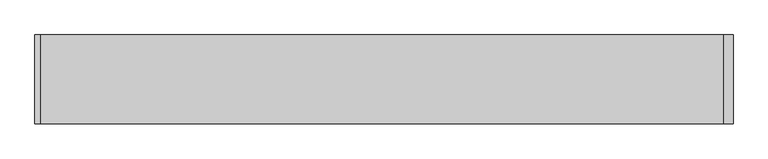
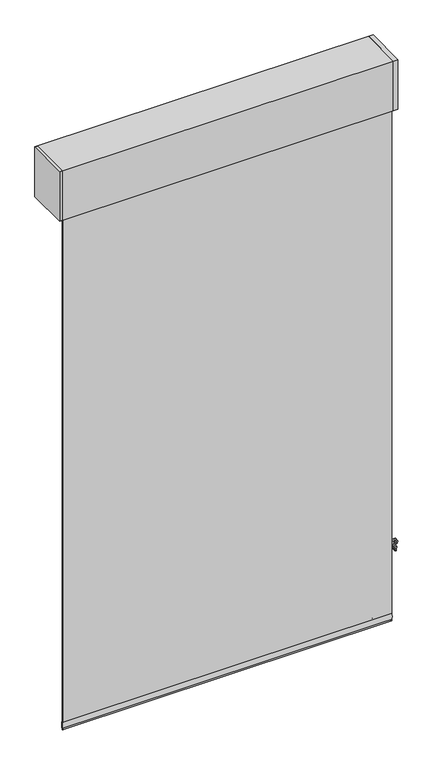
"""IFC4 building model written with IfcOpenShell, lengths in millimetres: proxy geometry."""

from ifc_helpers import new_model, si_unit, point, frame, frame_2d, origin, place, context, project, spatial, polyline, circle_curve, trimmed, segment, composite_curve, outline, extrude, source, transform, mapped, element, save
from ifc_brep_helpers import plane_surface, cylinder_surface, revolved_surface, advanced_brep


def specialty_equipment_aed71b2e(model_context):
    return source(origin(), model_context, "Body", "SolidModel", [
        advanced_brep(
        [(754.7975373, 114.3, -748.5031492), (759.8345279, 114.3, -754.1318492), (755.147822, 114.3, -796.2412853), (752.1866072, 114.3, -798.8912064), (749.7153928, 114.3, -798.8912064), (746.754178, 114.3, -796.2412853), (742.0674721, 114.3, -754.1318492), (747.1044627, 114.3, -748.5031492), (747.776, 114.3, -755.1453529), (754.126, 114.3, -755.1453529), (747.776, 114.3, -790.8641029), (754.126, 114.3, -790.8641029), (754.7975373, 101.6, -748.5031492), (747.1044627, 101.6, -748.5031492), (742.0674721, 101.6, -754.1318492), (743.2919654, 101.6, -765.1337606), (758.6100346, 101.6, -765.1337606), (759.8345279, 101.6, -754.1318492), (747.776, 101.6, -755.1453529), (754.126, 101.6, -755.1453529), (746.754178, 101.6, -796.2412853), (749.7153928, 101.6, -798.8912064), (752.1866072, 101.6, -798.8912064), (755.147822, 101.6, -796.2412853), (756.9731218, 101.6, -779.8412064), (744.9288782, 101.6, -779.8412064), (747.776, 101.6, -790.8641029), (754.126, 101.6, -790.8641029), (758.6100346, 111.125, -765.1337606), (756.9731218, 111.125, -779.8412064), (744.9288782, 111.125, -779.8412064), (743.2919654, 111.125, -765.1337606)],
        [
            (0, 1, circle_curve(frame((754.7975373, 114.3, -753.5712411), z_axis=(0.0, 1.0, 0.0), x_axis=(-1.0, 0.0, 0.0)), 5.0680919)),
            (1, 2),
            (2, 3, circle_curve(frame((752.1866072, 114.3, -795.9117073), z_axis=(0.0, 1.0, 0.0), x_axis=(-1.0, 0.0, 0.0)), 2.9794991)),
            (3, 4),
            (4, 5, circle_curve(frame((749.7153928, 114.3, -795.9117073), z_axis=(0.0, 1.0, 0.0), x_axis=(1.0, 0.0, 0.0)), 2.9794991)),
            (5, 6),
            (6, 7, circle_curve(frame((747.1044627, 114.3, -753.5712411), z_axis=(0.0, 1.0, 0.0), x_axis=(1.0, 0.0, 0.0)), 5.0680919)),
            (7, 0),
            (8, 9, circle_curve(frame((750.951, 114.3, -755.1453529), z_axis=(0.0, -1.0, 0.0), x_axis=(1.0, 0.0, 0.0)), 3.175)),
            (9, 8, circle_curve(frame((750.951, 114.3, -755.1453529), z_axis=(0.0, -1.0, 0.0), x_axis=(1.0, 0.0, 0.0)), 3.175)),
            (10, 11, circle_curve(frame((750.951, 114.3, -790.8641029), z_axis=(0.0, -1.0, 0.0), x_axis=(1.0, 0.0, 0.0)), 3.175)),
            (11, 10, circle_curve(frame((750.951, 114.3, -790.8641029), z_axis=(0.0, -1.0, 0.0), x_axis=(1.0, 0.0, 0.0)), 3.175)),
            (12, 13),
            (13, 14, circle_curve(frame((747.1044627, 101.6, -753.5712411), z_axis=(0.0, -1.0, 0.0), x_axis=(1.0, 0.0, 0.0)), 5.0680919)),
            (14, 15),
            (15, 16),
            (16, 17),
            (17, 12, circle_curve(frame((754.7975373, 101.6, -753.5712411), z_axis=(0.0, -1.0, 0.0), x_axis=(-1.0, 0.0, 0.0)), 5.0680919)),
            (18, 19, circle_curve(frame((750.951, 101.6, -755.1453529), z_axis=(0.0, 1.0, 0.0), x_axis=(1.0, 0.0, 0.0)), 3.175)),
            (19, 18, circle_curve(frame((750.951, 101.6, -755.1453529), z_axis=(0.0, 1.0, 0.0), x_axis=(1.0, 0.0, 0.0)), 3.175)),
            (20, 21, circle_curve(frame((749.7153928, 101.6, -795.9117073), z_axis=(0.0, -1.0, 0.0), x_axis=(1.0, 0.0, 0.0)), 2.9794991)),
            (21, 22),
            (22, 23, circle_curve(frame((752.1866072, 101.6, -795.9117073), z_axis=(0.0, -1.0, 0.0), x_axis=(-1.0, 0.0, 0.0)), 2.9794991)),
            (23, 24),
            (24, 25),
            (25, 20),
            (26, 27, circle_curve(frame((750.951, 101.6, -790.8641029), z_axis=(0.0, 1.0, 0.0), x_axis=(1.0, 0.0, 0.0)), 3.175)),
            (27, 26, circle_curve(frame((750.951, 101.6, -790.8641029), z_axis=(0.0, 1.0, 0.0), x_axis=(1.0, 0.0, 0.0)), 3.175)),
            (0, 12),
            (17, 1),
            (16, 28),
            (28, 29),
            (29, 24),
            (23, 2),
            (22, 3),
            (21, 4),
            (20, 5),
            (25, 30),
            (30, 31),
            (31, 15),
            (14, 6),
            (13, 7),
            (8, 18),
            (19, 9),
            (10, 26),
            (27, 11),
            (28, 31),
            (30, 29),
        ],
        [
            plane_surface(frame((749.7294454, 114.3, -753.5712411), z_axis=(0.0, 1.0, 0.0), x_axis=(0.0, 0.0, 1.0))),
            plane_surface(frame((749.7294454, 101.6, -753.5712411), z_axis=(0.0, -1.0, 0.0), x_axis=(0.0, 0.0, -1.0))),
            cylinder_surface(frame((754.7975373, 101.6, -753.5712411), z_axis=(0.0, 1.0, 0.0), x_axis=(-1.0, 0.0, 0.0)), 5.0680919),
            plane_surface(frame((759.8345279, 114.3, -754.1318492), z_axis=(0.9938633059315283, 0.0, -0.11061523006735367), x_axis=(0.0, -1.0, 0.0))),
            cylinder_surface(frame((752.1866072, 101.6, -795.9117073), z_axis=(0.0, 1.0, 0.0), x_axis=(-1.0, 0.0, 0.0)), 2.9794991),
            plane_surface(frame((752.1866072, 114.3, -798.8912064), z_axis=(0.0, 0.0, -1.0), x_axis=(0.0, -1.0, 0.0))),
            cylinder_surface(frame((749.7153928, 101.6, -795.9117073), z_axis=(0.0, 1.0, 0.0), x_axis=(1.0, 0.0, 0.0)), 2.9794991),
            plane_surface(frame((746.754178, 114.3, -796.2412853), z_axis=(-0.9938633059315276, 0.0, -0.11061523006736003), x_axis=(0.0, -1.0, 0.0))),
            cylinder_surface(frame((747.1044627, 101.6, -753.5712411), z_axis=(0.0, 1.0, 0.0), x_axis=(1.0, 0.0, 0.0)), 5.0680919),
            plane_surface(frame((747.1044627, 114.3, -748.5031492), z_axis=(0.0, 0.0, 1.0), x_axis=(0.0, -1.0, 0.0))),
            revolved_surface(polyline([(754.126, 101.6, -755.1453529), (754.126, 114.3, -755.1453529)]), (750.951, 101.6, -755.1453529), (0.0, -1.0, 0.0)),
            revolved_surface(polyline([(754.126, 101.6, -790.8641029), (754.126, 114.3, -790.8641029)]), (750.951, 101.6, -790.8641029), (0.0, -1.0, 0.0)),
            plane_surface(frame((732.092928, 111.125, -779.8412064), z_axis=(0.0, -1.0, 0.0), x_axis=(-1.0, 0.0, 0.0))),
            plane_surface(frame((759.6783137, 111.125, -779.8412064), z_axis=(0.0, 0.0, 1.0), x_axis=(0.0, -1.0, 0.0))),
            plane_surface(frame((741.8653132, 111.125, -765.1337606), z_axis=(0.0, 0.0, -1.0), x_axis=(0.0, -1.0, 0.0))),
        ],
        [
            (0, [[1, 2, 3, 4, 5, 6, 7, 8], [9, 10], [11, 12]]),
            (1, [[13, 14, 15, 16, 17, 18], [19, 20]]),
            (1, [[21, 22, 23, 24, 25, 26], [27, 28]]),
            (2, [[-1, 29, -18, 30]]),
            (3, [[-2, -30, -17, 31, 32, 33, -24, 34]]),
            (4, [[-3, -34, -23, 35]]),
            (5, [[-4, -35, -22, 36]]),
            (6, [[-5, -36, -21, 37]]),
            (7, [[-6, -37, -26, 38, 39, 40, -15, 41]]),
            (8, [[-7, -41, -14, 42]]),
            (9, [[-8, -42, -13, -29]]),
            (10, [[-9, 43, -20, 44]]),
            (10, [[-10, -44, -19, -43]]),
            (11, [[-11, 45, -28, 46]]),
            (11, [[-12, -46, -27, -45]]),
            (12, [[47, -39, 48, -32]]),
            (13, [[-48, -38, -25, -33]]),
            (14, [[-47, -31, -16, -40]]),
        ],
    ),
        extrude(outline(composite_curve([segment(trimmed(circle_curve(frame_2d((749.462611, 220.2138288)), 1.5875), [point((747.875111, 220.2138288))], [point((751.050111, 220.2138288))], False, "CARTESIAN"), True, "CONTINUOUS"), segment(trimmed(circle_curve(frame_2d((749.462611, 220.2138288)), 1.5875), [point((751.050111, 220.2138288))], [point((747.875111, 220.2138288))], False, "CARTESIAN"), True, "CONTINUOUS")], self_intersect=False)), frame((0.0, 0.0, -771.4837606), z_axis=(0.0, 0.0, 1.0), x_axis=(1.0, 0.0, 0.0)), (0.0, 0.0, 1.0), 2072.64),
        extrude(outline(composite_curve([segment(trimmed(circle_curve(frame_2d((749.462611, 251.9638288)), 1.5875), [point((747.875111, 251.9638288))], [point((751.050111, 251.9638288))], False, "CARTESIAN"), True, "CONTINUOUS"), segment(trimmed(circle_curve(frame_2d((749.462611, 251.9638288)), 1.5875), [point((751.050111, 251.9638288))], [point((747.875111, 251.9638288))], False, "CARTESIAN"), True, "CONTINUOUS")], self_intersect=False)), frame((0.0, 0.0, -771.4837606), z_axis=(0.0, 0.0, 1.0), x_axis=(1.0, 0.0, 0.0)), (0.0, 0.0, 1.0), 2072.64),
        extrude(outline(polyline([(762.0, 295.3742187), (762.0, 101.6), (741.426, 101.6), (741.426, 295.3742187), (762.0, 295.3742187)])), frame((0.0, 0.0, 1301.1562394), z_axis=(0.0, 0.0, 1.0), x_axis=(1.0, 0.0, 0.0)), (0.0, 0.0, 1.0), 236.2398437),
        extrude(outline(polyline([(-750.316, 295.3742187), (-750.316, 101.6), (-762.0, 101.6), (-762.0, 295.3742187), (-750.316, 295.3742187)])), frame((0.0, 0.0, 1301.1562394), z_axis=(0.0, 0.0, 1.0), x_axis=(1.0, 0.0, 0.0)), (0.0, 0.0, 1.0), 236.2398437),
        extrude(outline(polyline([(-762.0, 295.3742187), (762.0, 295.3742187), (762.0, 101.6), (-762.0, 101.6), (-762.0, 295.3742187)])), frame((0.0, 0.0, 1301.1562394), z_axis=(0.0, 0.0, 1.0), x_axis=(1.0, 0.0, 0.0)), (0.0, 0.0, 1.0), 236.2398437),
        extrude(outline(polyline([(741.426, 114.3), (-741.426, 114.3), (-741.426, 117.475), (741.426, 117.475), (741.426, 114.3)])), frame((0.0, 0.0, -1137.2437606), z_axis=(0.0, 0.0, 1.0), x_axis=(1.0, 0.0, 0.0)), (0.0, 0.0, 1.0), 2438.4),
        extrude(outline(composite_curve([segment(polyline([(115.9109476, -1093.1658784), (117.4825911, -1093.1658784)]), True, "CONTINUOUS"), segment(trimmed(circle_curve(frame_2d((58.6477456, -1114.5765725)), 62.6095589), [point((117.4825911, -1093.1658784))], [point((117.1000216, -1137.0106606))], False, "CARTESIAN"), True, "CONTINUOUS"), segment(trimmed(circle_curve(frame_2d((116.6967693, -1136.8216302)), 0.4453592), [point((117.1000216, -1137.0106606))], [point((116.2935171, -1137.0106606))], False, "CARTESIAN"), True, "CONTINUOUS"), segment(trimmed(circle_curve(frame_2d((174.7457931, -1114.5765725)), 62.6095589), [point((116.2935171, -1137.0106606))], [point((115.9109476, -1093.1658784))], False, "CARTESIAN"), True, "CONTINUOUS")], self_intersect=False)), frame((-741.426, 0.0, 0.0), z_axis=(1.0, 0.0, 0.0), x_axis=(0.0, 1.0, 0.0)), (0.0, 0.0, 1.0), 1482.852),
    ])


if __name__ == "__main__":
    model = new_model("IFC4")
    model_context = context("Model", 3, world=origin())
    ifc_project = project(units=[si_unit("LENGTHUNIT", "METRE", prefix="MILLI")], contexts=[model_context])
    site = spatial("IfcSite", under=ifc_project)
    building = spatial("IfcBuilding", under=site)
    placement = place(None, origin())
    specialty_equipment_shape = specialty_equipment_aed71b2e(model_context)
    element("IfcBuildingElementProxy", 1, Name="Specialty Equipment", at=placement, inside=building, context=model_context, shape_type="MappedRepresentation", body=[
        mapped(specialty_equipment_shape, transform((0.0, 0.0, 0.0), x_axis=(1.0, 0.0, 0.0), y_axis=(0.0, 1.0, 0.0), z_axis=(0.0, 0.0, 1.0))),
    ])
    save(model, "model.ifc")
